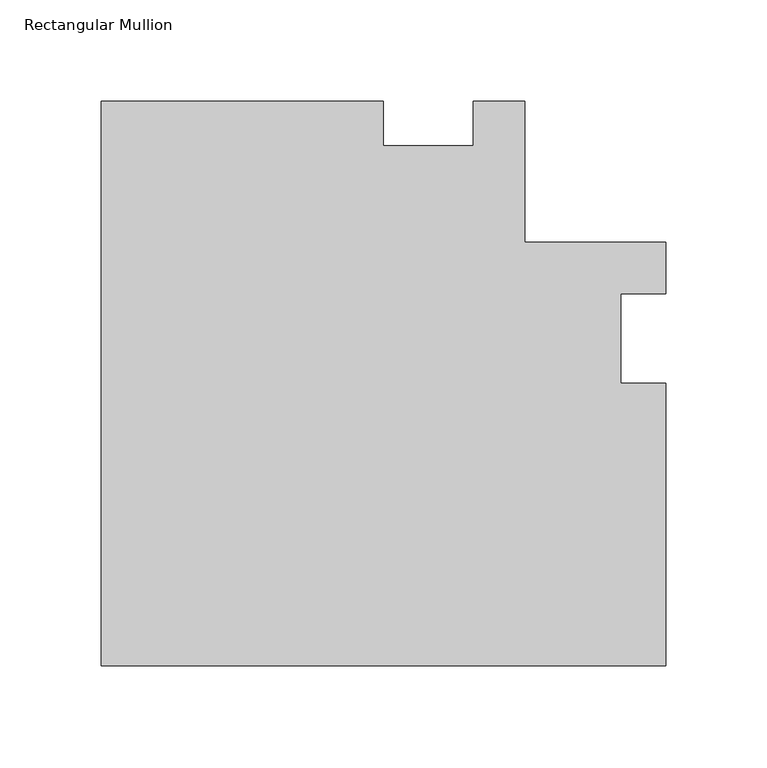
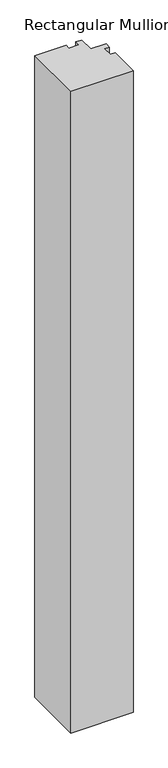
"""IFC4 building model written with IfcOpenShell, lengths in millimetres: member geometry, Rectangular Mullion."""

import ifcopenshell
import ifcopenshell.guid

model = None  # the IFC model being written
_history = None  # IfcOwnerHistory: only IFC2X3 demands one
_inside = {}  # id of a spatial element -> (the spatial element, [elements in it])
_under = {}  # id of a project, library or spatial element -> (it, [spatial elements below it])
_declared = {}  # id of a project -> (the project, [libraries it declares])
_typed = {}  # id of a type object -> (the type object, [elements of that type])
_made_of = {}  # id of a material, layer set ... -> (it, [elements and type objects made of it])


def new_model(schema):
    """Start an empty IFC model of exactly this schema.

    Asked for "IFC4X3", IfcOpenShell would pick the latest addendum, in which some entities
    have other attributes; the version numbers below select the first issue.
    IFC2X3 requires an IfcOwnerHistory on every rooted entity: one is made here for all.
    """
    global model, _history
    if schema == "IFC4X3":
        model = ifcopenshell.file(schema_version=(4, 3, 0, 0))
    else:
        model = ifcopenshell.file(schema=schema)
    _inside.clear()
    _under.clear()
    _declared.clear()
    _typed.clear()
    _made_of.clear()
    _history = None
    if model.schema == "IFC2X3":
        org = make("IfcOrganization", Name="unknown")
        user = make(
            "IfcPersonAndOrganization",
            ThePerson=make("IfcPerson", FamilyName="unknown"),
            TheOrganization=org,
        )
        app = make(
            "IfcApplication",
            ApplicationDeveloper=org,
            Version="unknown",
            ApplicationFullName="unknown",
            ApplicationIdentifier="unknown",
        )
        _history = make(
            "IfcOwnerHistory",
            OwningUser=user,
            OwningApplication=app,
            ChangeAction="ADDED",
            CreationDate=0,
        )
    return model


def make(cls, **values):
    """One entity of the class cls with the attributes given. An attribute that is None is left unset."""
    return model.create_entity(
        cls, **{name: value for name, value in values.items() if value is not None}
    )


def rooted(cls, **values):
    """An entity with a GlobalId (a new one), such as an element, a storey or a relation."""
    return make(cls, GlobalId=ifcopenshell.guid.new(), OwnerHistory=_history, **values)


def si_unit(unit_type, name, prefix=None):
    """IfcSIUnit, for example si_unit("LENGTHUNIT", "METRE", prefix="MILLI")."""
    return make("IfcSIUnit", UnitType=unit_type, Prefix=prefix, Name=name)


def assignment(units):
    """IfcUnitAssignment: the units of a project."""
    return None if units is None else make("IfcUnitAssignment", Units=units)


def point(xyz):
    """IfcCartesianPoint."""
    return None if xyz is None else make("IfcCartesianPoint", Coordinates=xyz)


def direction(xyz):
    """IfcDirection."""
    return None if xyz is None else make("IfcDirection", DirectionRatios=xyz)


def frame(location, z_axis=None, x_axis=None):
    """IfcAxis2Placement3D, a coordinate frame: its origin and axes. An axis left out is left unset."""
    return make(
        "IfcAxis2Placement3D",
        Location=point(location),
        Axis=direction(z_axis),
        RefDirection=direction(x_axis),
    )


def origin():
    """The frame at (0, 0, 0) with its axes left unset."""
    return frame((0.0, 0.0, 0.0))


def place(relative_to, where):
    """IfcLocalPlacement: puts the frame where relative to a parent placement (None: the world)."""
    return make(
        "IfcLocalPlacement", PlacementRelTo=relative_to, RelativePlacement=where
    )


def context(
    kind, dimensions, precision=None, world=None, true_north=None, identifier=None
):
    """IfcGeometricRepresentationContext, for example the 3D "Model" context."""
    return make(
        "IfcGeometricRepresentationContext",
        ContextIdentifier=identifier,
        ContextType=kind,
        CoordinateSpaceDimension=dimensions,
        Precision=precision,
        WorldCoordinateSystem=world,
        TrueNorth=true_north,
    )


def project(units=None, contexts=None):
    """IfcProject with its units and contexts."""
    return rooted(
        "IfcProject",
        Name="project",
        RepresentationContexts=contexts,
        UnitsInContext=assignment(units),
    )


def spatial(cls, under=None, at=None, **own):
    """A site, building, storey or space (cls), placed at a placement, below another one or the project."""
    s = rooted(cls, ObjectPlacement=at, **own)
    if under is not None:
        _under.setdefault(under.id(), (under, []))[1].append(s)
    return s


def polyline(points):
    """IfcPolyline through the points."""
    return make("IfcPolyline", Points=[point(p) for p in points])


def outline(outer, holes=None, kind="AREA"):
    """IfcArbitraryClosedProfileDef: a profile drawn as a closed curve; with holes, ...WithVoids."""
    if holes is None:
        return make("IfcArbitraryClosedProfileDef", ProfileType=kind, OuterCurve=outer)
    return make(
        "IfcArbitraryProfileDefWithVoids",
        ProfileType=kind,
        OuterCurve=outer,
        InnerCurves=holes,
    )


def extrude(swept, where, along, depth):
    """IfcExtrudedAreaSolid: the profile swept, set in the frame where, extruded along a direction by depth."""
    return make(
        "IfcExtrudedAreaSolid",
        SweptArea=swept,
        Position=where,
        ExtrudedDirection=direction(along),
        Depth=depth,
    )


def shape(context_of_items, identifier, shape_type, items):
    """IfcShapeRepresentation: the items that make up one representation, for example the "Body"."""
    return make(
        "IfcShapeRepresentation",
        ContextOfItems=context_of_items,
        RepresentationIdentifier=identifier,
        RepresentationType=shape_type,
        Items=items,
    )


def source(mapping_origin, context_of_items, identifier, shape_type, items):
    """IfcRepresentationMap: a shape defined once, which mapped items show again and again."""
    return make(
        "IfcRepresentationMap",
        MappingOrigin=mapping_origin,
        MappedRepresentation=shape(context_of_items, identifier, shape_type, items),
    )


def transform(
    local_origin,
    x_axis=None,
    y_axis=None,
    z_axis=None,
    scale=None,
    scale2=None,
    scale3=None,
    uniform=True,
):
    """IfcCartesianTransformationOperator3D, or its non-uniform kind. x_axis, y_axis, z_axis: its Axis1, 2, 3."""
    if uniform:
        return make(
            "IfcCartesianTransformationOperator3D",
            Axis1=direction(x_axis),
            Axis2=direction(y_axis),
            LocalOrigin=point(local_origin),
            Scale=scale,
            Axis3=direction(z_axis),
        )
    return make(
        "IfcCartesianTransformationOperator3DnonUniform",
        Axis1=direction(x_axis),
        Axis2=direction(y_axis),
        LocalOrigin=point(local_origin),
        Scale=scale,
        Axis3=direction(z_axis),
        Scale2=scale2,
        Scale3=scale3,
    )


def mapped(mapping_source, mapping_target):
    """IfcMappedItem: shows the shape of a source again, moved by a transform."""
    return make(
        "IfcMappedItem", MappingSource=mapping_source, MappingTarget=mapping_target
    )


def made_of(thing, what):
    """Note that an element or type object is made of a material, layer set ...; save() writes the relation."""
    if what is not None:
        _made_of.setdefault(what.id(), (what, []))[1].append(thing)
    return thing


def element(
    cls,
    number,
    at=None,
    inside=None,
    cuts=None,
    type_object=None,
    material=None,
    context=None,
    identifier="Body",
    shape_type=None,
    held_by="IfcProductDefinitionShape",
    body=None,
    shapes=None,
    **own,
):
    """One element of the class cls, such as IfcWall. Its Tag is "e" and its number.

    at: its placement. inside: the storey or other place that contains it. cuts: it is an
    opening in that element (IfcRelVoidsElement). A single representation is given by context,
    identifier, shape_type and body (its items); several are given by shapes. held_by: the class
    of the entity that holds the representations. save() writes the other relations.
    """
    e = rooted(cls, Tag="e%d" % number, ObjectPlacement=at, **own)
    if body is not None:
        shapes = [shape(context, identifier, shape_type, body)]
    if shapes is not None:
        e.Representation = make(held_by, Representations=shapes)
    if inside is not None:
        _inside.setdefault(inside.id(), (inside, []))[1].append(e)
    if cuts is not None:
        rooted(
            "IfcRelVoidsElement", RelatingBuildingElement=cuts, RelatedOpeningElement=e
        )
    if type_object is not None:
        _typed.setdefault(type_object.id(), (type_object, []))[1].append(e)
    return made_of(e, material)


def aggregate(whole, parts):
    """IfcRelAggregates: a whole, such as a stair, and the parts it consists of."""
    return rooted("IfcRelAggregates", RelatingObject=whole, RelatedObjects=parts)


def save(model, path):
    """Write the relations noted so far, then the file.

    IfcRelAggregates (storeys below a building ...), IfcRelContainedInSpatialStructure (elements
    in a storey), IfcRelDefinesByType, IfcRelAssociatesMaterial and IfcRelDeclares: one each for
    every whole, place, type object, material and project.
    """
    for whole, parts in _under.values():
        aggregate(whole, parts)
    for where, things in _inside.values():
        rooted(
            "IfcRelContainedInSpatialStructure",
            RelatedElements=things,
            RelatingStructure=where,
        )
    for kind, things in _typed.values():
        rooted("IfcRelDefinesByType", RelatedObjects=things, RelatingType=kind)
    for what, things in _made_of.values():
        rooted("IfcRelAssociatesMaterial", RelatedObjects=things, RelatingMaterial=what)
    for by, libraries in _declared.values():
        rooted("IfcRelDeclares", RelatingContext=by, RelatedDefinitions=libraries)
    model.write(path)


def rectangular_mullion_4acea0f5(model_context):
    return source(origin(), model_context, "Body", "SweptSolid", [
        extrude(outline(polyline([(-279.4000018, -95.2499894), (-279.4000018, 184.1501238), (-139.7000068, 184.1501238), (-139.7000068, 161.9251256), (-95.2500068, 161.9251256), (-95.2500068, 184.15), (-69.8499944, 184.15), (-69.8499944, 114.3000056), (0.0, 114.3000056), (0.0, 88.9000162), (-22.2248992, 88.9000162), (-22.2248992, 44.4500162), (-1.8e-06, 44.4500162), (-1.8e-06, -95.2499894), (-279.4000018, -95.2499894)])), frame((0.0, 0.0, -3048.0), z_axis=(0.0, 0.0, 1.0), x_axis=(1.0, 0.0, 0.0)), (0.0, 0.0, 1.0), 3048.0),
    ])


if __name__ == "__main__":
    model = new_model("IFC4")
    model_context = context("Model", 3, world=origin())
    ifc_project = project(units=[si_unit("LENGTHUNIT", "METRE", prefix="MILLI")], contexts=[model_context])
    site = spatial("IfcSite", under=ifc_project)
    building = spatial("IfcBuilding", under=site)
    placement = place(None, origin())
    rectangular_mullion_shape = rectangular_mullion_4acea0f5(model_context)
    element("IfcMember", 1, ObjectType="Rectangular Mullion", at=placement, inside=building, context=model_context, shape_type="MappedRepresentation", body=[
        mapped(rectangular_mullion_shape, transform((0.0, 0.0, 0.0), x_axis=(1.0, 0.0, 0.0), y_axis=(0.0, 1.0, 0.0), z_axis=(0.0, 0.0, 1.0))),
    ])
    save(model, "model.ifc")
